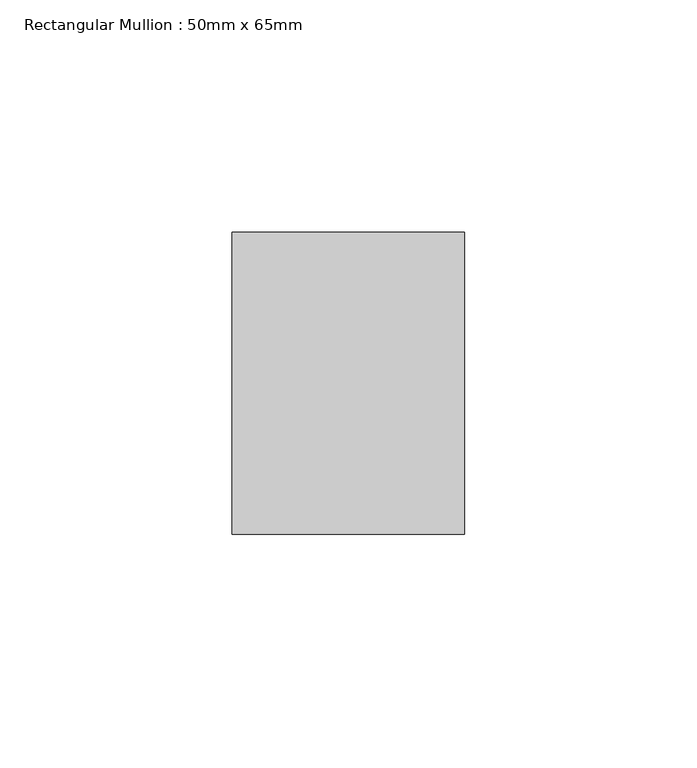
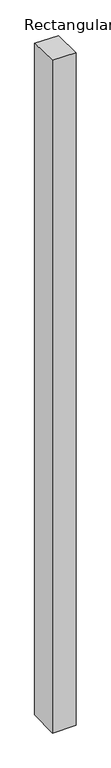
"""IFC4 building model written with IfcOpenShell, lengths in millimetres: member geometry, Rectangular Mullion : 50mm x 65mm."""

from ifc_helpers import new_model, si_unit, origin, place, context, project, spatial, faceted_brep, source, transform, mapped, element, save


def rectangular_mullion_50mm_x_65mm_e6e2196d(model_context):
    return source(origin(), model_context, "Body", "Brep", [
        faceted_brep([(-25.0, 32.5, -0.7127098), (25.0, 32.5, -0.7127069), (25.0, 32.5, -1499.1016751), (-25.0, 32.5, -1499.1016715), (-25.0, -32.5, 0.7127069), (-25.0, -32.5, -1500.8975995), (25.0, -32.5, 0.7127098), (25.0, -32.5, -1500.8976031)], [[[0, 1, 2, 3]], [[4, 0, 3, 5]], [[6, 4, 5, 7]], [[1, 6, 7, 2]], [[1, 0, 4, 6]], [[2, 7, 5, 3]]]),
    ])


if __name__ == "__main__":
    model = new_model("IFC4")
    model_context = context("Model", 3, world=origin())
    ifc_project = project(units=[si_unit("LENGTHUNIT", "METRE", prefix="MILLI")], contexts=[model_context])
    site = spatial("IfcSite", under=ifc_project)
    building = spatial("IfcBuilding", under=site)
    placement = place(None, origin())
    rectangular_mullion_50mm_x_65mm_shape = rectangular_mullion_50mm_x_65mm_e6e2196d(model_context)
    element("IfcMember", 1, ObjectType="Rectangular Mullion : 50mm x 65mm", at=placement, inside=building, context=model_context, shape_type="MappedRepresentation", body=[
        mapped(rectangular_mullion_50mm_x_65mm_shape, transform((0.0, 0.0, 0.0), x_axis=(1.0, 0.0, 0.0), y_axis=(0.0, 1.0, 0.0), z_axis=(0.0, 0.0, 1.0))),
    ])
    save(model, "model.ifc")
